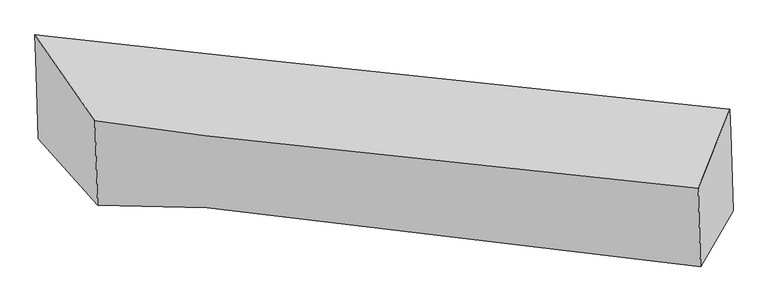
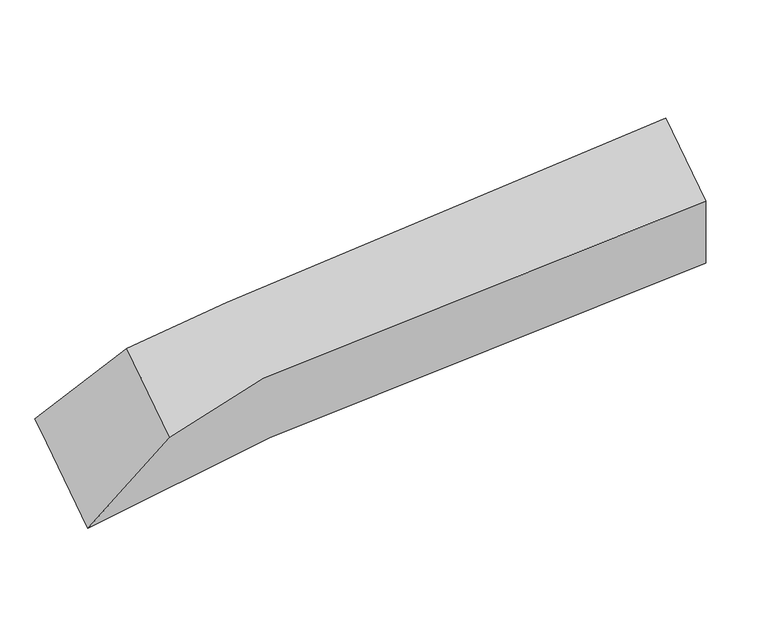
"""IFC4 building model written with IfcOpenShell, lengths in millimetres: proxy geometry."""

from ifc_helpers import new_model, si_unit, frame, origin, place, context, project, spatial, source, transform, mapped, element, save
from ifc_brep_helpers import plane_surface, spline_curve, spline_surface, advanced_brep


def generic_models_67d7df7c(model_context):
    return source(origin(), model_context, "Body", "AdvancedBrep", [
        advanced_brep(
        [(-826.2923534, -2329.7681261, 2985.1227988), (-1140.1737994, -1979.1001154, 2277.6516411), (2529.4956843, -2358.5719159, 2990.2137662), (2357.6958307, -2654.0784315, 3641.755549), (-1153.3019971, -1551.6879835, 2591.3420804), (2516.7554238, -1943.7897775, 3294.6346787), (-1157.015178, -1430.7986883, 2680.0663194), (2513.0422429, -1822.9004823, 3383.3589176), (-839.9631157, -1884.6918265, 3311.7774945), (2344.9921902, -2240.4885214, 3945.3014498)],
        [
            (0, 1),
            (1, 2, spline_curve(3, [(-1140.1737994, -1979.1001154, 2277.6516411), (-756.392375831, -2001.001410493, 2373.556203616), (-390.000772109, -2025.707445621, 2460.549677657), (958.444691265, -2132.001401208, 2762.238217011), (1815.276248689, -2233.785966121, 2912.76545131), (2529.4956843, -2358.5719159, 2990.2137662)], [4, 2, 4], [0.0, 2.987697633259248, 11.543629589440275])),
            (2, 3),
            (3, 0, spline_curve(3, [(2357.6958307, -2654.0784315, 3641.755549), (1256.764570005, -2484.349627945, 3514.873415), (388.781575754, -2381.034055657, 3361.793443099), (-468.004770888, -2331.24556318, 3119.912530608), (-661.351171022, -2326.457700356, 3054.114919196), (-826.2923534, -2329.7681261, 2985.1227988)], [4, 2, 4], [0.0, 8.555931956181027, 11.543629589440275])),
            (1, 4),
            (4, 5, spline_curve(3, [(-1153.3019971, -1551.6879835, 2591.3420804), (-768.897874032, -1593.862381376, 2672.367611552), (-402.036074422, -1633.876491758, 2748.126035147), (947.63686336, -1780.133096854, 3020.48480078), (1804.127537545, -1870.819584358, 3179.157243446), (2516.7554238, -1943.7897775, 3294.6346787)], [4, 2, 4], [0.0, 3.191785997949436, 12.332170055942598])),
            (5, 2),
            (4, 6),
            (6, 7, spline_curve(3, [(-1157.015178, -1430.7986883, 2680.0663194), (-772.611054929, -1472.973086131, 2761.091850631), (-405.749255368, -1512.987196587, 2836.850274137), (943.923682591, -1659.243801573, 3109.209039808), (1800.414356528, -1749.930289198, 3267.881482507), (2513.0422429, -1822.9004823, 3383.3589176)], [4, 2, 4], [0.0, 3.190772801751806, 12.328255348685522])),
            (7, 5),
            (6, 8),
            (8, 9, spline_curve(3, [(-839.9631157, -1884.6918265, 3311.7774945), (-674.15620456, -1909.566759532, 3360.083544084), (-480.146546997, -1935.948162989, 3410.033015882), (378.420148533, -2043.699122803, 3609.373554579), (1246.06225946, -2135.916617524, 3770.598734671), (2344.9921902, -2240.4885214, 3945.3014498)], [4, 2, 4], [0.0, 2.9828258714934104, 11.524806462010382])),
            (9, 7),
            (8, 0),
            (3, 9),
        ],
        [
            spline_surface(3, 3, [[(-826.2923534, -2329.7681261, 2985.1227988), (-661.351171028, -2326.457700317, 3054.114919157), (-468.004770847, -2331.245563214, 3119.912530654), (388.781575636, -2381.034055558, 3361.793442968), (1256.764570109, -2484.349627805, 3514.87341486), (2357.6958307, -2654.0784315, 3641.755549)], [(-930.919502067, -2212.878789216, 2749.299079589), (-693.031572617, -2217.972270386, 2827.262014007), (-442.003437927, -2229.39952404, 2900.124912983), (578.669280792, -2298.023170788, 3161.941700963), (1442.935129594, -2400.828407285, 3314.170760362), (2414.962448544, -2555.57625964, 3424.574954746)], [(-1035.546650733, -2095.989452284, 2513.475360311), (-724.711974203, -2109.486840405, 2600.409108792), (-416.002104982, -2127.553484804, 2680.337295339), (768.556985973, -2215.012285956, 2962.089958985), (1629.105689147, -2317.307186747, 3113.468105827), (2472.229066456, -2457.07408776, 3207.394360454)], [(-1140.1737994, -1979.1001154, 2277.6516411), (-756.392375791, -2001.001410473, 2373.556203643), (-390.000772062, -2025.707445629, 2460.549677668), (958.444691129, -2132.001401186, 2762.23821698), (1815.276248631, -2233.785966227, 2912.765451329), (2529.4956843, -2358.5719159, 2990.2137662)]], [4, 4], [4, 2, 4], [0.0, 2.6319115381099163], [0.0, 2.987697633259248, 11.543629589440275]),
            spline_surface(3, 3, [[(-1140.1737994, -1979.1001154, 2277.6516411), (-756.392375791, -2001.001410473, 2373.556203643), (-390.000772062, -2025.707445629, 2460.549677668), (958.444691129, -2132.001401186, 2762.23821698), (1815.276248631, -2233.785966227, 2912.765451329), (2529.4956843, -2358.5719159, 2990.2137662)], [(-1144.54986529, -1836.62940477, 2382.215120852), (-760.560875198, -1865.288400768, 2473.160006275), (-394.012539496, -1895.097127689, 2556.408463484), (954.842081914, -2014.711966364, 2848.320411622), (1811.560011574, -2112.797172253, 3001.562715364), (2525.248930799, -2220.311203111, 3091.687403682)], [(-1148.92593121, -1694.15869413, 2486.778600648), (-764.729374633, -1729.575391053, 2572.76380895), (-398.024307005, -1764.486809746, 2652.267249291), (951.239472624, -1897.422531538, 2934.402606254), (1807.843774521, -1991.808378246, 3090.359979452), (2521.002177301, -2082.050490289, 3193.161041218)], [(-1153.3019971, -1551.6879835, 2591.3420804), (-768.897874039, -1593.862381347, 2672.367611582), (-402.036074439, -1633.876491807, 2748.126035107), (947.636863409, -1780.133096716, 3020.484800896), (1804.127537463, -1870.819584272, 3179.157243487), (2516.7554238, -1943.7897775, 3294.6346787)]], [4, 4], [4, 2, 4], [0.0, 1.4879373857678877], [0.0, 3.191785997949436, 12.332170055942598]),
            spline_surface(3, 3, [[(-1153.3019971, -1551.6879835, 2591.3420804), (-768.897874039, -1593.862381347, 2672.367611582), (-402.036074439, -1633.876491807, 2748.126035107), (947.636863409, -1780.133096716, 3020.484800896), (1804.127537463, -1870.819584272, 3179.157243487), (2516.7554238, -1943.7897775, 3294.6346787)], [(-1154.539724067, -1511.391551749, 2620.916826724), (-770.135601005, -1553.565949597, 2701.942357906), (-403.273801406, -1593.580060056, 2777.70078143), (946.399136442, -1739.836664965, 3050.059547219), (1802.889810497, -1830.523152521, 3208.73198981), (2515.517696833, -1903.493345749, 3324.209425024)], [(-1155.777451033, -1471.095120051, 2650.491573076), (-771.373327972, -1513.269517898, 2731.517104259), (-404.511528373, -1553.283628357, 2807.275527783), (945.161409475, -1699.540233266, 3079.634293572), (1801.65208353, -1790.226720822, 3238.306736063), (2514.279969867, -1863.196914051, 3353.784171276)], [(-1157.015178, -1430.7986883, 2680.0663194), (-772.611054939, -1472.973086147, 2761.091850582), (-405.749255339, -1512.987196607, 2836.850274107), (943.923682509, -1659.243801516, 3109.209039896), (1800.414356563, -1749.930289072, 3267.881482387), (2513.0422429, -1822.9004823, 3383.3589176)]], [4, 4], [4, 2, 4], [0.0, 0.4921259842519715], [0.0, 3.190772801751806, 12.328255348685522]),
            spline_surface(3, 3, [[(-1157.015178, -1430.7986883, 2680.0663194), (-772.611054939, -1472.973086147, 2761.091850582), (-405.749255339, -1512.987196607, 2836.850274107), (943.923682509, -1659.243801516, 3109.209039896), (1800.414356563, -1749.930289072, 3267.881482387), (2513.0422429, -1822.9004823, 3383.3589176)], [(-1051.331157227, -1582.096401053, 2890.63671112), (-739.792771485, -1618.504310632, 2960.75574845), (-430.548352558, -1653.974185436, 3027.911188032), (755.422504476, -1787.395575254, 3275.930544754), (1615.630324201, -1878.592398559, 3435.453899738), (2457.025558671, -1962.096495334, 3570.673094969)], [(-945.647136473, -1733.394113747, 3101.20710278), (-706.974488052, -1764.035535059, 3160.419646259), (-455.347449746, -1794.961174206, 3218.972101985), (566.921326474, -1915.547348933, 3442.652049641), (1430.846291827, -2007.254508046, 3603.026317182), (2401.008874429, -2101.292508366, 3757.987272431)], [(-839.9631157, -1884.6918265, 3311.7774945), (-674.156204598, -1909.566759544, 3360.083544127), (-480.146546965, -1935.948163035, 3410.03301591), (378.420148441, -2043.699122672, 3609.373554499), (1246.062259466, -2135.916617533, 3770.598734533), (2344.9921902, -2240.4885214, 3945.3014498)]], [4, 4], [4, 2, 4], [0.0, 2.577429123430686], [0.0, 2.9828258714934104, 11.524806462010382]),
            spline_surface(3, 3, [[(-839.9631157, -1884.6918265, 3311.7774945), (-674.156204598, -1909.566759544, 3360.083544127), (-480.146546965, -1935.948163035, 3410.03301591), (378.420148441, -2043.699122672, 3609.373554499), (1246.062259466, -2135.916617533, 3770.598734533), (2344.9921902, -2240.4885214, 3945.3014498)], [(-835.406194949, -2033.050593012, 3202.892595915), (-669.887860091, -2048.530406447, 3258.094002452), (-476.099288265, -2067.713963071, 3313.326187516), (381.8739575, -2156.144100276, 3526.84685068), (1249.629696367, -2252.06095429, 3685.356961321), (2349.226737053, -2378.351824767, 3844.119482879)], [(-830.849274151, -2181.409359588, 3094.007697385), (-665.619515536, -2187.494053414, 3156.104460832), (-472.052029547, -2199.479763179, 3216.619359048), (385.327766577, -2268.589077953, 3444.320146787), (1253.197133208, -2368.205291048, 3600.115188072), (2353.461283847, -2516.215128133, 3742.937515921)], [(-826.2923534, -2329.7681261, 2985.1227988), (-661.351171028, -2326.457700317, 3054.114919157), (-468.004770847, -2331.245563214, 3119.912530654), (388.781575636, -2381.034055558, 3361.793442968), (1256.764570109, -2484.349627805, 3514.87341486), (2357.6958307, -2654.0784315, 3641.755549)]], [4, 4], [4, 2, 4], [0.0, 1.447318160630631], [0.0, 2.777724191212857, 10.732350826950785]),
            plane_surface(frame((2436.306487, -2269.0098377, 3490.1574207), z_axis=(0.9720649782543391, -0.11873628478603364, 0.20246326265918266), x_axis=(-0.2334028509549615, -0.5799833876410075, 0.7804757390377722))),
            plane_surface(frame((-990.8611116, -1906.0896891, 2813.6545635), z_axis=(-0.9257019209060645, -0.2418719112169344, 0.2908159765127933), x_axis=(-0.02475453933097932, 0.8059286350140854, 0.5914949264759962))),
        ],
        [
            (0, [[1, 2, 3, 4]]),
            (1, [[5, 6, 7, -2]]),
            (2, [[8, 9, 10, -6]]),
            (3, [[11, 12, 13, -9]]),
            (4, [[14, -4, 15, -12]]),
            (5, [[-13, -15, -3, -7, -10]]),
            (6, [[-14, -11, -8, -5, -1]]),
        ],
    ),
    ])


if __name__ == "__main__":
    model = new_model("IFC4")
    model_context = context("Model", 3, world=origin())
    ifc_project = project(units=[si_unit("LENGTHUNIT", "METRE", prefix="MILLI")], contexts=[model_context])
    site = spatial("IfcSite", under=ifc_project)
    building = spatial("IfcBuilding", under=site)
    placement = place(None, origin())
    generic_models_shape = generic_models_67d7df7c(model_context)
    element("IfcBuildingElementProxy", 1, Name="Generic Models", at=placement, inside=building, context=model_context, shape_type="MappedRepresentation", body=[
        mapped(generic_models_shape, transform((0.0, 0.0, 0.0), x_axis=(1.0, 0.0, 0.0), y_axis=(0.0, 1.0, 0.0), z_axis=(0.0, 0.0, 1.0))),
    ])
    save(model, "model.ifc")
